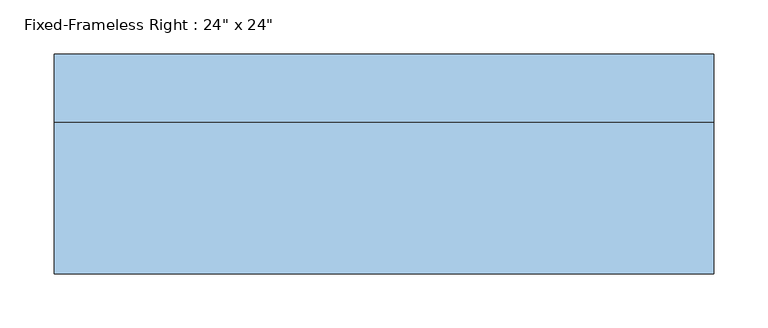
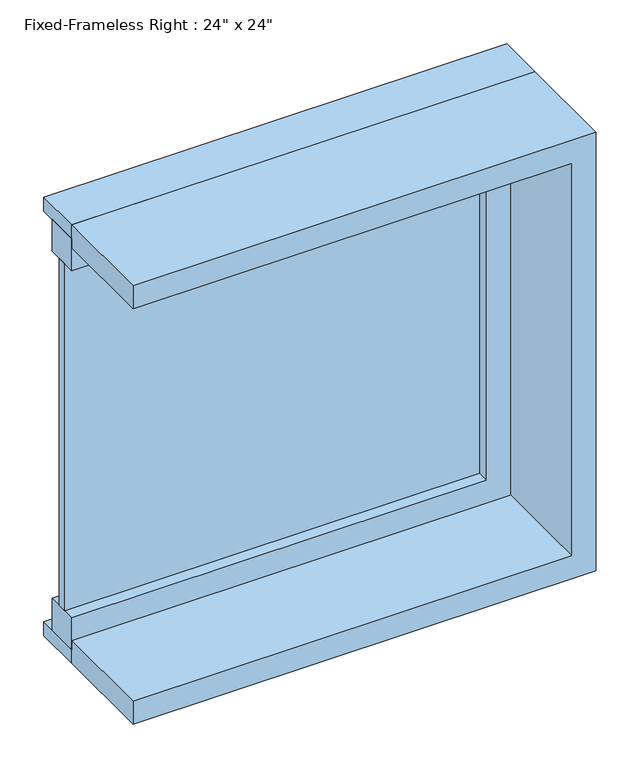
"""IFC4 building model written with IfcOpenShell, lengths in millimetres: window geometry."""

from ifc_helpers import new_model, si_unit, frame, origin, place, context, project, spatial, polyline, outline, extrude, source, transform, mapped, element, save


def window_ef31227e(model_context):
    return source(origin(), model_context, "Body", "SweptSolid", [
        extrude(outline(polyline([(203.2, 53.975), (-342.9, 53.975), (-342.9, 66.675), (203.2, 66.675), (203.2, 53.975)])), frame((0.0, 0.0, 977.9), z_axis=(0.0, 0.0, 1.0), x_axis=(1.0, 0.0, 0.0)), (0.0, 0.0, 1.0), 482.6),
        extrude(outline(polyline([(1504.95, -342.9), (1460.5, -342.9), (1460.5, 203.2), (977.9, 203.2), (977.9, -342.9), (933.45, -342.9), (933.45, 247.65), (1504.95, 247.65), (1504.95, -342.9)])), frame((0.0, 38.1, 0.0), z_axis=(0.0, 1.0, 0.0), x_axis=(0.0, 0.0, 1.0)), (0.0, 0.0, 1.0), 44.45),
        extrude(outline(polyline([(1524.0, -342.9), (1492.25, -342.9), (1492.25, 234.95), (946.15, 234.95), (946.15, -342.9), (914.4, -342.9), (914.4, 266.7), (1524.0, 266.7), (1524.0, -342.9)])), frame((0.0, -101.6, 0.0), z_axis=(0.0, 1.0, 0.0), x_axis=(0.0, 0.0, 1.0)), (0.0, 0.0, 1.0), 139.7),
        extrude(outline(polyline([(1524.0, 266.7), (1524.0, -342.9), (1504.95, -342.9), (1504.95, 247.65), (933.45, 247.65), (933.45, -342.9), (914.4, -342.9), (914.4, 266.7), (1524.0, 266.7)])), frame((0.0, 38.1, 0.0), z_axis=(0.0, 1.0, 0.0), x_axis=(0.0, 0.0, 1.0)), (0.0, 0.0, 1.0), 63.5),
    ])


if __name__ == "__main__":
    model = new_model("IFC4")
    model_context = context("Model", 3, world=origin())
    ifc_project = project(units=[si_unit("LENGTHUNIT", "METRE", prefix="MILLI")], contexts=[model_context])
    site = spatial("IfcSite", under=ifc_project)
    building = spatial("IfcBuilding", under=site)
    placement = place(None, origin())
    window_shape = window_ef31227e(model_context)
    element("IfcWindow", 1, ObjectType="Fixed-Frameless Right : 24\" x 24\"", at=placement, inside=building, context=model_context, shape_type="MappedRepresentation", body=[
        mapped(window_shape, transform((0.0, 0.0, 0.0), x_axis=(1.0, 0.0, 0.0), y_axis=(0.0, 1.0, 0.0), z_axis=(0.0, 0.0, 1.0))),
    ])
    save(model, "model.ifc")
